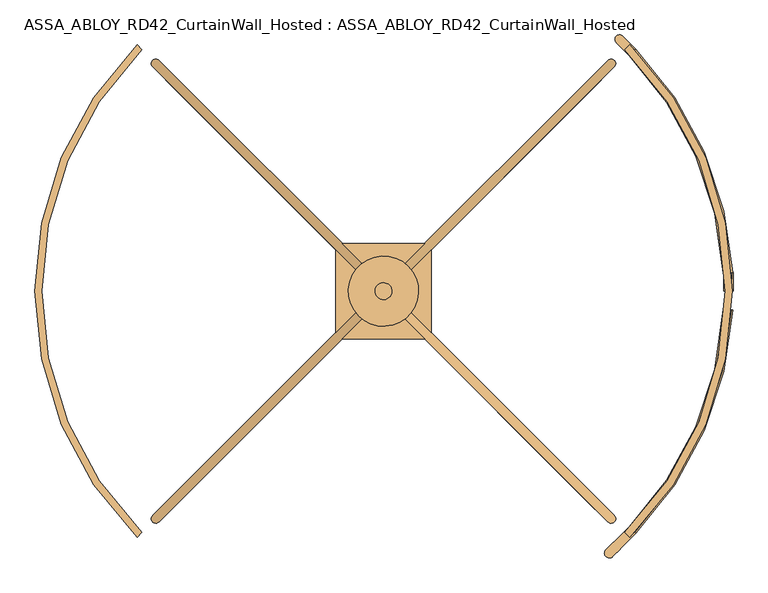
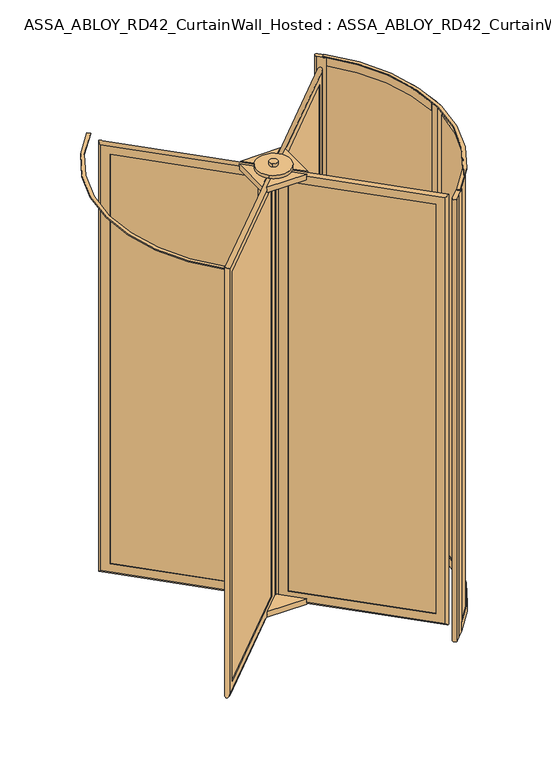
"""IFC4 building model written with IfcOpenShell, lengths in millimetres: door geometry, ASSA_ABLOY_RD42_CurtainWall_Hosted : ASSA_ABLOY_RD42_CurtainWall_Hosted."""

from ifc_helpers import new_model, si_unit, point, frame, frame_2d, origin, origin_with_axes, origin_2d, place, context, project, spatial, polyline, circle_curve, ellipse_curve, trimmed, segment, composite_curve, outline, extrude, source, transform, mapped, element, save
from ifc_brep_helpers import plane_surface, cylinder_surface, revolved_surface, advanced_brep


def assa_abloy_rd42_curtainwall_hosted_assa_abloy_rd42_9612af01(model_context):
    return source(origin(), model_context, "Body", "SolidModel", [
        advanced_brep(
        [(605.2834047, -619.4255403, 105.0), (603.1620844, -621.5468607, 105.0), (603.1620844, -621.5468607, 2673.0), (605.2834047, -619.4255403, 2673.0), (633.5676759, -619.4255403, 85.0), (619.4255403, -633.5676759, 85.0), (619.4255403, -633.5676759, 2693.0), (633.5676759, -619.4255403, 2693.0), (621.5468607, -603.1620844, 105.0), (619.4255403, -605.2834047, 105.0), (619.4255403, -605.2834047, 2673.0), (621.5468607, -603.1620844, 2673.0), (639.931637, -658.3164133, 53.0), (658.3164133, -639.931637, 53.0), (658.3164133, -639.931637, 2725.0), (639.931637, -658.3164133, 2725.0), (48.0832611, -66.4680374, 2673.0), (50.2045815, -64.3467171, 2673.0), (36.0624458, -50.2045815, 2693.0), (50.2045815, -36.0624458, 2693.0), (64.3467171, -50.2045815, 2673.0), (66.4680374, -48.0832611, 2673.0), (29.6984848, -11.3137085, 2725.0), (11.3137085, -29.6984848, 2725.0), (48.0832611, -66.4680374, 105.0), (50.2045815, -64.3467171, 105.0), (36.0624458, -50.2045815, 85.0), (50.2045815, -36.0624458, 85.0), (64.3467171, -50.2045815, 105.0), (66.4680374, -48.0832611, 105.0), (29.6984848, -11.3137085, 53.0), (11.3137085, -29.6984848, 53.0)],
        [
            (0, 1),
            (1, 2),
            (2, 3),
            (3, 0),
            (4, 5),
            (5, 6),
            (6, 7),
            (7, 4),
            (8, 9),
            (9, 10),
            (10, 11),
            (11, 8),
            (12, 13, ellipse_curve(frame((649.1240251, -649.1240251, 53.0), z_axis=(0.4999999999999917, -0.5000000000000084, 0.7071067811865475), x_axis=(0.5000000000000054, -0.4999999999999945, -0.7071067811865476)), 18.3847763, 13.0)),
            (13, 14),
            (14, 15, ellipse_curve(frame((649.1240251, -649.1240251, 2725.0), z_axis=(0.5000000000000054, -0.49999999999999456, -0.7071067811865475), x_axis=(-0.4999999999999915, 0.5000000000000083, -0.7071067811865476)), 18.3847763, 13.0)),
            (15, 12),
            (2, 16),
            (16, 17),
            (17, 3),
            (6, 18),
            (18, 19),
            (19, 7),
            (10, 20),
            (20, 21),
            (21, 11),
            (14, 22),
            (22, 23, ellipse_curve(frame((20.5060967, -20.5060967, 2725.0), z_axis=(0.4999999999999917, -0.5000000000000084, 0.7071067811865475), x_axis=(0.5000000000000054, -0.4999999999999945, -0.7071067811865476)), 18.3847763, 13.0)),
            (23, 15),
            (16, 24),
            (24, 25),
            (25, 17),
            (18, 26),
            (26, 27),
            (27, 19),
            (20, 28),
            (28, 29),
            (29, 21),
            (22, 30),
            (30, 31, ellipse_curve(frame((20.5060967, -20.5060967, 53.0), z_axis=(-0.5000000000000054, 0.49999999999999456, 0.7071067811865475), x_axis=(0.4999999999999915, -0.5000000000000083, 0.7071067811865476)), 18.3847763, 13.0)),
            (31, 23),
            (24, 1),
            (0, 25),
            (5, 26),
            (4, 27),
            (9, 28),
            (8, 29),
            (13, 30),
            (12, 31),
        ],
        [
            plane_surface(frame((603.1620844, -621.5468607, 105.0), z_axis=(-0.7071067811865437, 0.7071067811865513, 0.0), x_axis=(0.0, 0.0, 1.0))),
            plane_surface(frame((619.4255403, -633.5676759, 85.0), z_axis=(-0.7071067811865452, 0.7071067811865498, 0.0), x_axis=(0.0, 0.0, 1.0))),
            plane_surface(frame((619.4255403, -605.2834047, 105.0), z_axis=(-0.7071067811865437, 0.7071067811865513, 0.0), x_axis=(0.0, 0.0, 1.0))),
            cylinder_surface(frame((649.1240251, -649.1240251, 40.0), z_axis=(0.0, 0.0, -1.0), x_axis=(-0.7071067811865456, 0.7071067811865497, 0.0)), 13.0),
            plane_surface(frame((603.1620844, -621.5468607, 2673.0), z_axis=(0.0, 0.0, -1.0), x_axis=(-0.7071067811865455, 0.7071067811865496, 0.0))),
            plane_surface(frame((619.4255403, -633.5676759, 2693.0), z_axis=(0.0, 0.0, -1.0), x_axis=(-0.7071067811865455, 0.7071067811865496, 0.0))),
            plane_surface(frame((619.4255403, -605.2834047, 2673.0), z_axis=(0.0, 0.0, -1.0), x_axis=(-0.7071067811865455, 0.7071067811865496, 0.0))),
            cylinder_surface(frame((658.3164133, -658.3164133, 2725.0), z_axis=(0.7071067811865456, -0.7071067811865497, 0.0), x_axis=(0.0, 0.0, -1.0)), 13.0),
            plane_surface(frame((48.0832611, -66.4680374, 2673.0), z_axis=(0.7071067811865472, -0.7071067811865478, 0.0), x_axis=(0.0, 0.0, -1.0))),
            plane_surface(frame((36.0624458, -50.2045815, 2693.0), z_axis=(0.7071067811865457, -0.7071067811865493, 0.0), x_axis=(0.0, 0.0, -1.0))),
            plane_surface(frame((64.3467171, -50.2045815, 2673.0), z_axis=(0.7071067811865472, -0.7071067811865478, 0.0), x_axis=(0.0, 0.0, -1.0))),
            cylinder_surface(frame((20.5060967, -20.5060967, 2738.0), z_axis=(0.0, 0.0, 1.0), x_axis=(0.7071067811865456, -0.7071067811865497, 0.0)), 13.0),
            plane_surface(frame((48.0832611, -66.4680374, 105.0), z_axis=(0.0, 0.0, 1.0), x_axis=(0.7071067811865455, -0.7071067811865496, 0.0))),
            plane_surface(frame((50.2045815, -64.3467171, 105.0), z_axis=(0.7071067811865496, 0.7071067811865455, 0.0), x_axis=(0.7071067811865455, -0.7071067811865496, 0.0))),
            plane_surface(frame((36.0624458, -50.2045815, 85.0), z_axis=(0.0, 0.0, 1.0), x_axis=(0.7071067811865455, -0.7071067811865496, 0.0))),
            plane_surface(frame((50.2045815, -36.0624458, 85.0), z_axis=(-0.7071067811865496, -0.7071067811865455, 0.0), x_axis=(0.7071067811865455, -0.7071067811865496, 0.0))),
            plane_surface(frame((64.3467171, -50.2045815, 105.0), z_axis=(0.0, 0.0, 1.0), x_axis=(0.7071067811865455, -0.7071067811865496, 0.0))),
            plane_surface(frame((66.4680374, -48.0832611, 105.0), z_axis=(0.7071067811865496, 0.7071067811865455, 0.0), x_axis=(0.7071067811865455, -0.7071067811865496, 0.0))),
            cylinder_surface(frame((11.3137085, -11.3137085, 53.0), z_axis=(-0.7071067811865456, 0.7071067811865497, 0.0), x_axis=(0.0, 0.0, 1.0)), 13.0),
            plane_surface(frame((11.3137085, -29.6984848, 53.0), z_axis=(-0.7071067811865496, -0.7071067811865455, 0.0), x_axis=(0.7071067811865455, -0.7071067811865496, 0.0))),
        ],
        [
            (0, [[1, 2, 3, 4]]),
            (1, [[5, 6, 7, 8]]),
            (2, [[9, 10, 11, 12]]),
            (3, [[13, 14, 15, 16]]),
            (4, [[-3, 17, 18, 19]]),
            (5, [[-7, 20, 21, 22]]),
            (6, [[-11, 23, 24, 25]]),
            (7, [[-15, 26, 27, 28]]),
            (8, [[-18, 29, 30, 31]]),
            (9, [[-21, 32, 33, 34]]),
            (10, [[-24, 35, 36, 37]]),
            (11, [[-27, 38, 39, 40]]),
            (12, [[-30, 41, -1, 42]]),
            (13, [[43, -32, -20, -6], [-19, -31, -42, -4]]),
            (14, [[-33, -43, -5, 44]]),
            (15, [[-22, -34, -44, -8], [45, -35, -23, -10]]),
            (16, [[-36, -45, -9, 46]]),
            (17, [[47, -38, -26, -14], [-25, -37, -46, -12]]),
            (18, [[-39, -47, -13, 48]]),
            (19, [[-28, -40, -48, -16], [-41, -29, -17, -2]]),
        ],
    ),
        extrude(outline(polyline([(630.032142, -622.9610742), (622.9610742, -630.032142), (39.5979797, -46.6690476), (46.6690476, -39.5979797), (630.032142, -622.9610742)])), frame((0.0, 0.0, 85.0), z_axis=(0.0, 0.0, 1.0), x_axis=(1.0, 0.0, 0.0)), (0.0, 0.0, 1.0), 2608.0),
        advanced_brep(
        [(-619.4255403, -605.2834047, 105.0), (-621.5468607, -603.1620844, 105.0), (-621.5468607, -603.1620844, 2673.0), (-619.4255403, -605.2834047, 2673.0), (-619.4255403, -633.5676759, 85.0), (-633.5676759, -619.4255403, 85.0), (-633.5676759, -619.4255403, 2693.0), (-619.4255403, -633.5676759, 2693.0), (-603.1620844, -621.5468607, 105.0), (-605.2834047, -619.4255403, 105.0), (-605.2834047, -619.4255403, 2673.0), (-603.1620844, -621.5468607, 2673.0), (-658.3164133, -639.931637, 53.0), (-639.931637, -658.3164133, 53.0), (-639.931637, -658.3164133, 2725.0), (-658.3164133, -639.931637, 2725.0), (-66.4680374, -48.0832611, 2673.0), (-64.3467171, -50.2045815, 2673.0), (-50.2045815, -36.0624458, 2693.0), (-36.0624458, -50.2045815, 2693.0), (-50.2045815, -64.3467171, 2673.0), (-48.0832611, -66.4680374, 2673.0), (-11.3137085, -29.6984848, 2725.0), (-29.6984848, -11.3137085, 2725.0), (-66.4680374, -48.0832611, 105.0), (-64.3467171, -50.2045815, 105.0), (-50.2045815, -36.0624458, 85.0), (-36.0624458, -50.2045815, 85.0), (-50.2045815, -64.3467171, 105.0), (-48.0832611, -66.4680374, 105.0), (-11.3137085, -29.6984848, 53.0), (-29.6984848, -11.3137085, 53.0)],
        [
            (0, 1),
            (1, 2),
            (2, 3),
            (3, 0),
            (4, 5),
            (5, 6),
            (6, 7),
            (7, 4),
            (8, 9),
            (9, 10),
            (10, 11),
            (11, 8),
            (12, 13, ellipse_curve(frame((-649.1240251, -649.1240251, 53.0), z_axis=(-0.5000000000000089, -0.49999999999999106, 0.7071067811865475), x_axis=(-0.49999999999999495, -0.5000000000000048, -0.7071067811865476)), 18.3847763, 13.0)),
            (13, 14),
            (14, 15, ellipse_curve(frame((-649.1240251, -649.1240251, 2725.0), z_axis=(-0.49999999999999506, -0.5000000000000049, -0.7071067811865475), x_axis=(0.5000000000000088, 0.49999999999999095, -0.7071067811865476)), 18.3847763, 13.0)),
            (15, 12),
            (2, 16),
            (16, 17),
            (17, 3),
            (6, 18),
            (18, 19),
            (19, 7),
            (10, 20),
            (20, 21),
            (21, 11),
            (14, 22),
            (22, 23, ellipse_curve(frame((-20.5060967, -20.5060967, 2725.0), z_axis=(-0.5000000000000089, -0.49999999999999106, 0.7071067811865475), x_axis=(-0.4999999999999951, -0.5000000000000049, -0.7071067811865474)), 18.3847763, 13.0)),
            (23, 15),
            (16, 24),
            (24, 25),
            (25, 17),
            (18, 26),
            (26, 27),
            (27, 19),
            (20, 28),
            (28, 29),
            (29, 21),
            (22, 30),
            (30, 31, ellipse_curve(frame((-20.5060967, -20.5060967, 53.0), z_axis=(0.49999999999999506, 0.5000000000000049, 0.7071067811865475), x_axis=(-0.5000000000000088, -0.49999999999999095, 0.7071067811865476)), 18.3847763, 13.0)),
            (31, 23),
            (24, 1),
            (0, 25),
            (5, 26),
            (4, 27),
            (9, 28),
            (8, 29),
            (13, 30),
            (12, 31),
        ],
        [
            plane_surface(frame((-621.5468607, -603.1620844, 105.0), z_axis=(0.7071067811865521, 0.7071067811865429, 0.0), x_axis=(0.0, 0.0, 1.0))),
            plane_surface(frame((-633.5676759, -619.4255403, 85.0), z_axis=(0.7071067811865506, 0.7071067811865445, 0.0), x_axis=(0.0, 0.0, 1.0))),
            plane_surface(frame((-605.2834047, -619.4255403, 105.0), z_axis=(0.7071067811865521, 0.7071067811865429, 0.0), x_axis=(0.0, 0.0, 1.0))),
            cylinder_surface(frame((-649.1240251, -649.1240251, 40.0), z_axis=(0.0, 0.0, -1.0), x_axis=(0.7071067811865503, 0.7071067811865447, 0.0)), 13.0),
            plane_surface(frame((-621.5468607, -603.1620844, 2673.0), z_axis=(0.0, 0.0, -1.0), x_axis=(0.7071067811865503, 0.7071067811865447, 0.0))),
            plane_surface(frame((-633.5676759, -619.4255403, 2693.0), z_axis=(0.0, 0.0, -1.0), x_axis=(0.7071067811865503, 0.7071067811865447, 0.0))),
            plane_surface(frame((-605.2834047, -619.4255403, 2673.0), z_axis=(0.0, 0.0, -1.0), x_axis=(0.7071067811865503, 0.7071067811865447, 0.0))),
            cylinder_surface(frame((-658.3164133, -658.3164133, 2725.0), z_axis=(-0.7071067811865503, -0.7071067811865447, 0.0), x_axis=(0.0, 0.0, -1.0)), 13.0),
            plane_surface(frame((-66.4680374, -48.0832611, 2673.0), z_axis=(-0.7071067811865486, -0.7071067811865465, 0.0), x_axis=(0.0, 0.0, -1.0))),
            plane_surface(frame((-50.2045815, -36.0624458, 2693.0), z_axis=(-0.7071067811865501, -0.7071067811865449, 0.0), x_axis=(0.0, 0.0, -1.0))),
            plane_surface(frame((-50.2045815, -64.3467171, 2673.0), z_axis=(-0.7071067811865486, -0.7071067811865465, 0.0), x_axis=(0.0, 0.0, -1.0))),
            cylinder_surface(frame((-20.5060967, -20.5060967, 2738.0), z_axis=(0.0, 0.0, 1.0), x_axis=(-0.7071067811865503, -0.7071067811865447, 0.0)), 13.0),
            plane_surface(frame((-66.4680374, -48.0832611, 105.0), z_axis=(0.0, 0.0, 1.0), x_axis=(-0.7071067811865503, -0.7071067811865447, 0.0))),
            plane_surface(frame((-64.3467171, -50.2045815, 105.0), z_axis=(0.7071067811865447, -0.7071067811865503, 0.0), x_axis=(-0.7071067811865503, -0.7071067811865447, 0.0))),
            plane_surface(frame((-50.2045815, -36.0624458, 85.0), z_axis=(0.0, 0.0, 1.0), x_axis=(-0.7071067811865503, -0.7071067811865447, 0.0))),
            plane_surface(frame((-36.0624458, -50.2045815, 85.0), z_axis=(-0.7071067811865447, 0.7071067811865503, 0.0), x_axis=(-0.7071067811865503, -0.7071067811865447, 0.0))),
            plane_surface(frame((-50.2045815, -64.3467171, 105.0), z_axis=(0.0, 0.0, 1.0), x_axis=(-0.7071067811865503, -0.7071067811865447, 0.0))),
            plane_surface(frame((-48.0832611, -66.4680374, 105.0), z_axis=(0.7071067811865447, -0.7071067811865503, 0.0), x_axis=(-0.7071067811865503, -0.7071067811865447, 0.0))),
            cylinder_surface(frame((-11.3137085, -11.3137085, 53.0), z_axis=(0.7071067811865503, 0.7071067811865447, 0.0), x_axis=(0.0, 0.0, 1.0)), 13.0),
            plane_surface(frame((-29.6984848, -11.3137085, 53.0), z_axis=(-0.7071067811865447, 0.7071067811865503, 0.0), x_axis=(-0.7071067811865503, -0.7071067811865447, 0.0))),
        ],
        [
            (0, [[1, 2, 3, 4]]),
            (1, [[5, 6, 7, 8]]),
            (2, [[9, 10, 11, 12]]),
            (3, [[13, 14, 15, 16]]),
            (4, [[-3, 17, 18, 19]]),
            (5, [[-7, 20, 21, 22]]),
            (6, [[-11, 23, 24, 25]]),
            (7, [[-15, 26, 27, 28]]),
            (8, [[-18, 29, 30, 31]]),
            (9, [[-21, 32, 33, 34]]),
            (10, [[-24, 35, 36, 37]]),
            (11, [[-27, 38, 39, 40]]),
            (12, [[-30, 41, -1, 42]]),
            (13, [[43, -32, -20, -6], [-19, -31, -42, -4]]),
            (14, [[-33, -43, -5, 44]]),
            (15, [[-22, -34, -44, -8], [45, -35, -23, -10]]),
            (16, [[-36, -45, -9, 46]]),
            (17, [[47, -38, -26, -14], [-25, -37, -46, -12]]),
            (18, [[-39, -47, -13, 48]]),
            (19, [[-28, -40, -48, -16], [-41, -29, -17, -2]]),
        ],
    ),
        extrude(outline(polyline([(-622.9610742, -630.032142), (-630.032142, -622.9610742), (-46.6690476, -39.5979797), (-39.5979797, -46.6690476), (-622.9610742, -630.032142)])), frame((0.0, 0.0, 85.0), z_axis=(0.0, 0.0, 1.0), x_axis=(1.0, 0.0, 0.0)), (0.0, 0.0, 1.0), 2608.0),
        advanced_brep(
        [(-605.2834047, 619.4255403, 105.0), (-603.1620844, 621.5468607, 105.0), (-603.1620844, 621.5468607, 2673.0), (-605.2834047, 619.4255403, 2673.0), (-633.5676759, 619.4255403, 85.0), (-619.4255403, 633.5676759, 85.0), (-619.4255403, 633.5676759, 2693.0), (-633.5676759, 619.4255403, 2693.0), (-621.5468607, 603.1620844, 105.0), (-619.4255403, 605.2834047, 105.0), (-619.4255403, 605.2834047, 2673.0), (-621.5468607, 603.1620844, 2673.0), (-639.931637, 658.3164133, 53.0), (-658.3164133, 639.931637, 53.0), (-658.3164133, 639.931637, 2725.0), (-639.931637, 658.3164133, 2725.0), (-48.0832611, 66.4680374, 2673.0), (-50.2045815, 64.3467171, 2673.0), (-36.0624458, 50.2045815, 2693.0), (-50.2045815, 36.0624458, 2693.0), (-64.3467171, 50.2045815, 2673.0), (-66.4680374, 48.0832611, 2673.0), (-29.6984848, 11.3137085, 2725.0), (-11.3137085, 29.6984848, 2725.0), (-48.0832611, 66.4680374, 105.0), (-50.2045815, 64.3467171, 105.0), (-36.0624458, 50.2045815, 85.0), (-50.2045815, 36.0624458, 85.0), (-64.3467171, 50.2045815, 105.0), (-66.4680374, 48.0832611, 105.0), (-29.6984848, 11.3137085, 53.0), (-11.3137085, 29.6984848, 53.0)],
        [
            (0, 1),
            (1, 2),
            (2, 3),
            (3, 0),
            (4, 5),
            (5, 6),
            (6, 7),
            (7, 4),
            (8, 9),
            (9, 10),
            (10, 11),
            (11, 8),
            (12, 13, ellipse_curve(frame((-649.1240251, 649.1240251, 53.0), z_axis=(-0.4999999999999913, 0.5000000000000087, 0.7071067811865475), x_axis=(-0.500000000000005, 0.4999999999999947, -0.7071067811865476)), 18.3847763, 13.0)),
            (13, 14),
            (14, 15, ellipse_curve(frame((-649.1240251, 649.1240251, 2725.0), z_axis=(-0.5000000000000051, 0.4999999999999948, -0.7071067811865475), x_axis=(0.4999999999999912, -0.5000000000000085, -0.7071067811865476)), 18.3847763, 13.0)),
            (15, 12),
            (2, 16),
            (16, 17),
            (17, 3),
            (6, 18),
            (18, 19),
            (19, 7),
            (10, 20),
            (20, 21),
            (21, 11),
            (14, 22),
            (22, 23, ellipse_curve(frame((-20.5060967, 20.5060967, 2725.0), z_axis=(-0.4999999999999913, 0.5000000000000087, 0.7071067811865475), x_axis=(-0.5000000000000052, 0.49999999999999495, -0.7071067811865475)), 18.3847763, 13.0)),
            (23, 15),
            (16, 24),
            (24, 25),
            (25, 17),
            (18, 26),
            (26, 27),
            (27, 19),
            (20, 28),
            (28, 29),
            (29, 21),
            (22, 30),
            (30, 31, ellipse_curve(frame((-20.5060967, 20.5060967, 53.0), z_axis=(0.5000000000000051, -0.4999999999999948, 0.7071067811865475), x_axis=(-0.4999999999999912, 0.5000000000000085, 0.7071067811865476)), 18.3847763, 13.0)),
            (31, 23),
            (24, 1),
            (0, 25),
            (5, 26),
            (4, 27),
            (9, 28),
            (8, 29),
            (13, 30),
            (12, 31),
        ],
        [
            plane_surface(frame((-603.1620844, 621.5468607, 105.0), z_axis=(0.7071067811865432, -0.7071067811865518, 0.0), x_axis=(0.0, 0.0, 1.0))),
            plane_surface(frame((-619.4255403, 633.5676759, 85.0), z_axis=(0.7071067811865448, -0.7071067811865502, 0.0), x_axis=(0.0, 0.0, 1.0))),
            plane_surface(frame((-619.4255403, 605.2834047, 105.0), z_axis=(0.7071067811865432, -0.7071067811865518, 0.0), x_axis=(0.0, 0.0, 1.0))),
            cylinder_surface(frame((-649.1240251, 649.1240251, 40.0), z_axis=(0.0, 0.0, -1.0), x_axis=(0.707106781186545, -0.70710678118655, 0.0)), 13.0),
            plane_surface(frame((-603.1620844, 621.5468607, 2673.0), z_axis=(0.0, 0.0, -1.0), x_axis=(0.707106781186545, -0.70710678118655, 0.0))),
            plane_surface(frame((-619.4255403, 633.5676759, 2693.0), z_axis=(0.0, 0.0, -1.0), x_axis=(0.707106781186545, -0.70710678118655, 0.0))),
            plane_surface(frame((-619.4255403, 605.2834047, 2673.0), z_axis=(0.0, 0.0, -1.0), x_axis=(0.707106781186545, -0.70710678118655, 0.0))),
            cylinder_surface(frame((-658.3164133, 658.3164133, 2725.0), z_axis=(-0.707106781186545, 0.70710678118655, 0.0), x_axis=(0.0, 0.0, -1.0)), 13.0),
            plane_surface(frame((-48.0832611, 66.4680374, 2673.0), z_axis=(-0.7071067811865468, 0.7071067811865482, 0.0), x_axis=(0.0, 0.0, -1.0))),
            plane_surface(frame((-36.0624458, 50.2045815, 2693.0), z_axis=(-0.7071067811865452, 0.7071067811865498, 0.0), x_axis=(0.0, 0.0, -1.0))),
            plane_surface(frame((-64.3467171, 50.2045815, 2673.0), z_axis=(-0.7071067811865468, 0.7071067811865482, 0.0), x_axis=(0.0, 0.0, -1.0))),
            cylinder_surface(frame((-20.5060967, 20.5060967, 2738.0), z_axis=(0.0, 0.0, 1.0), x_axis=(-0.707106781186545, 0.70710678118655, 0.0)), 13.0),
            plane_surface(frame((-48.0832611, 66.4680374, 105.0), z_axis=(0.0, 0.0, 1.0), x_axis=(-0.707106781186545, 0.70710678118655, 0.0))),
            plane_surface(frame((-50.2045815, 64.3467171, 105.0), z_axis=(-0.70710678118655, -0.707106781186545, 0.0), x_axis=(-0.707106781186545, 0.70710678118655, 0.0))),
            plane_surface(frame((-36.0624458, 50.2045815, 85.0), z_axis=(0.0, 0.0, 1.0), x_axis=(-0.707106781186545, 0.70710678118655, 0.0))),
            plane_surface(frame((-50.2045815, 36.0624458, 85.0), z_axis=(0.70710678118655, 0.707106781186545, 0.0), x_axis=(-0.707106781186545, 0.70710678118655, 0.0))),
            plane_surface(frame((-64.3467171, 50.2045815, 105.0), z_axis=(0.0, 0.0, 1.0), x_axis=(-0.707106781186545, 0.70710678118655, 0.0))),
            plane_surface(frame((-66.4680374, 48.0832611, 105.0), z_axis=(-0.70710678118655, -0.707106781186545, 0.0), x_axis=(-0.707106781186545, 0.70710678118655, 0.0))),
            cylinder_surface(frame((-11.3137085, 11.3137085, 53.0), z_axis=(0.707106781186545, -0.70710678118655, 0.0), x_axis=(0.0, 0.0, 1.0)), 13.0),
            plane_surface(frame((-11.3137085, 29.6984848, 53.0), z_axis=(0.70710678118655, 0.707106781186545, 0.0), x_axis=(-0.707106781186545, 0.70710678118655, 0.0))),
        ],
        [
            (0, [[1, 2, 3, 4]]),
            (1, [[5, 6, 7, 8]]),
            (2, [[9, 10, 11, 12]]),
            (3, [[13, 14, 15, 16]]),
            (4, [[-3, 17, 18, 19]]),
            (5, [[-7, 20, 21, 22]]),
            (6, [[-11, 23, 24, 25]]),
            (7, [[-15, 26, 27, 28]]),
            (8, [[-18, 29, 30, 31]]),
            (9, [[-21, 32, 33, 34]]),
            (10, [[-24, 35, 36, 37]]),
            (11, [[-27, 38, 39, 40]]),
            (12, [[-30, 41, -1, 42]]),
            (13, [[43, -32, -20, -6], [-19, -31, -42, -4]]),
            (14, [[-33, -43, -5, 44]]),
            (15, [[-22, -34, -44, -8], [45, -35, -23, -10]]),
            (16, [[-36, -45, -9, 46]]),
            (17, [[47, -38, -26, -14], [-25, -37, -46, -12]]),
            (18, [[-39, -47, -13, 48]]),
            (19, [[-28, -40, -48, -16], [-41, -29, -17, -2]]),
        ],
    ),
        extrude(outline(polyline([(-630.032142, 622.9610742), (-622.9610742, 630.032142), (-39.5979797, 46.6690476), (-46.6690476, 39.5979797), (-630.032142, 622.9610742)])), frame((0.0, 0.0, 85.0), z_axis=(0.0, 0.0, 1.0), x_axis=(1.0, 0.0, 0.0)), (0.0, 0.0, 1.0), 2608.0),
        advanced_brep(
        [(619.4255403, 605.2834047, 105.0), (621.5468607, 603.1620844, 105.0), (621.5468607, 603.1620844, 2673.0), (619.4255403, 605.2834047, 2673.0), (619.4255403, 633.5676759, 85.0), (633.5676759, 619.4255403, 85.0), (633.5676759, 619.4255403, 2693.0), (619.4255403, 633.5676759, 2693.0), (603.1620844, 621.5468607, 105.0), (605.2834047, 619.4255403, 105.0), (605.2834047, 619.4255403, 2673.0), (603.1620844, 621.5468607, 2673.0), (658.3164133, 639.931637, 53.0), (639.931637, 658.3164133, 53.0), (639.931637, 658.3164133, 2725.0), (658.3164133, 639.931637, 2725.0), (66.4680374, 48.0832611, 2673.0), (64.3467171, 50.2045815, 2673.0), (50.2045815, 36.0624458, 2693.0), (36.0624458, 50.2045815, 2693.0), (50.2045815, 64.3467171, 2673.0), (48.0832611, 66.4680374, 2673.0), (11.3137085, 29.6984848, 2725.0), (29.6984848, 11.3137085, 2725.0), (66.4680374, 48.0832611, 105.0), (64.3467171, 50.2045815, 105.0), (50.2045815, 36.0624458, 85.0), (36.0624458, 50.2045815, 85.0), (50.2045815, 64.3467171, 105.0), (48.0832611, 66.4680374, 105.0), (11.3137085, 29.6984848, 53.0), (29.6984848, 11.3137085, 53.0)],
        [
            (0, 1),
            (1, 2),
            (2, 3),
            (3, 0),
            (4, 5),
            (5, 6),
            (6, 7),
            (7, 4),
            (8, 9),
            (9, 10),
            (10, 11),
            (11, 8),
            (12, 13, ellipse_curve(frame((649.1240251, 649.1240251, 53.0), z_axis=(0.5000000000000073, 0.4999999999999926, 0.7071067811865475), x_axis=(0.4999999999999934, 0.5000000000000063, -0.7071067811865476)), 18.3847763, 13.0)),
            (13, 14),
            (14, 15, ellipse_curve(frame((649.1240251, 649.1240251, 2725.0), z_axis=(0.49999999999999345, 0.5000000000000064, -0.7071067811865475), x_axis=(-0.5000000000000072, -0.4999999999999925, -0.7071067811865476)), 18.3847763, 13.0)),
            (15, 12),
            (2, 16),
            (16, 17),
            (17, 3),
            (6, 18),
            (18, 19),
            (19, 7),
            (10, 20),
            (20, 21),
            (21, 11),
            (14, 22),
            (22, 23, ellipse_curve(frame((20.5060967, 20.5060967, 2725.0), z_axis=(0.5000000000000073, 0.4999999999999926, 0.7071067811865475), x_axis=(0.4999999999999936, 0.5000000000000066, -0.7071067811865475)), 18.3847763, 13.0)),
            (23, 15),
            (16, 24),
            (24, 25),
            (25, 17),
            (18, 26),
            (26, 27),
            (27, 19),
            (20, 28),
            (28, 29),
            (29, 21),
            (22, 30),
            (30, 31, ellipse_curve(frame((20.5060967, 20.5060967, 53.0), z_axis=(-0.49999999999999345, -0.5000000000000064, 0.7071067811865475), x_axis=(0.5000000000000072, 0.4999999999999925, 0.7071067811865476)), 18.3847763, 13.0)),
            (31, 23),
            (24, 1),
            (0, 25),
            (5, 26),
            (4, 27),
            (9, 28),
            (8, 29),
            (13, 30),
            (12, 31),
        ],
        [
            plane_surface(frame((621.5468607, 603.1620844, 105.0), z_axis=(-0.7071067811865499, -0.7071067811865451, 0.0), x_axis=(0.0, 0.0, 1.0))),
            plane_surface(frame((633.5676759, 619.4255403, 85.0), z_axis=(-0.7071067811865483, -0.7071067811865467, 0.0), x_axis=(0.0, 0.0, 1.0))),
            plane_surface(frame((605.2834047, 619.4255403, 105.0), z_axis=(-0.7071067811865499, -0.7071067811865451, 0.0), x_axis=(0.0, 0.0, 1.0))),
            cylinder_surface(frame((649.1240251, 649.1240251, 40.0), z_axis=(0.0, 0.0, -1.0), x_axis=(-0.7071067811865481, -0.7071067811865469, 0.0)), 13.0),
            plane_surface(frame((621.5468607, 603.1620844, 2673.0), z_axis=(0.0, 0.0, -1.0), x_axis=(-0.7071067811865481, -0.7071067811865469, 0.0))),
            plane_surface(frame((633.5676759, 619.4255403, 2693.0), z_axis=(0.0, 0.0, -1.0), x_axis=(-0.7071067811865481, -0.7071067811865469, 0.0))),
            plane_surface(frame((605.2834047, 619.4255403, 2673.0), z_axis=(0.0, 0.0, -1.0), x_axis=(-0.7071067811865481, -0.7071067811865469, 0.0))),
            cylinder_surface(frame((658.3164133, 658.3164133, 2725.0), z_axis=(0.7071067811865481, 0.7071067811865469, 0.0), x_axis=(0.0, 0.0, -1.0)), 13.0),
            plane_surface(frame((66.4680374, 48.0832611, 2673.0), z_axis=(0.7071067811865464, 0.7071067811865487, 0.0), x_axis=(0.0, 0.0, -1.0))),
            plane_surface(frame((50.2045815, 36.0624458, 2693.0), z_axis=(0.7071067811865479, 0.7071067811865471, 0.0), x_axis=(0.0, 0.0, -1.0))),
            plane_surface(frame((50.2045815, 64.3467171, 2673.0), z_axis=(0.7071067811865464, 0.7071067811865487, 0.0), x_axis=(0.0, 0.0, -1.0))),
            cylinder_surface(frame((20.5060967, 20.5060967, 2738.0), z_axis=(0.0, 0.0, 1.0), x_axis=(0.7071067811865481, 0.7071067811865469, 0.0)), 13.0),
            plane_surface(frame((66.4680374, 48.0832611, 105.0), z_axis=(0.0, 0.0, 1.0), x_axis=(0.7071067811865481, 0.7071067811865469, 0.0))),
            plane_surface(frame((64.3467171, 50.2045815, 105.0), z_axis=(-0.7071067811865469, 0.7071067811865481, 0.0), x_axis=(0.7071067811865481, 0.7071067811865469, 0.0))),
            plane_surface(frame((50.2045815, 36.0624458, 85.0), z_axis=(0.0, 0.0, 1.0), x_axis=(0.7071067811865481, 0.7071067811865469, 0.0))),
            plane_surface(frame((36.0624458, 50.2045815, 85.0), z_axis=(0.7071067811865469, -0.7071067811865481, 0.0), x_axis=(0.7071067811865481, 0.7071067811865469, 0.0))),
            plane_surface(frame((50.2045815, 64.3467171, 105.0), z_axis=(0.0, 0.0, 1.0), x_axis=(0.7071067811865481, 0.7071067811865469, 0.0))),
            plane_surface(frame((48.0832611, 66.4680374, 105.0), z_axis=(-0.7071067811865469, 0.7071067811865481, 0.0), x_axis=(0.7071067811865481, 0.7071067811865469, 0.0))),
            cylinder_surface(frame((11.3137085, 11.3137085, 53.0), z_axis=(-0.7071067811865481, -0.7071067811865469, 0.0), x_axis=(0.0, 0.0, 1.0)), 13.0),
            plane_surface(frame((29.6984848, 11.3137085, 53.0), z_axis=(0.7071067811865469, -0.7071067811865481, 0.0), x_axis=(0.7071067811865481, 0.7071067811865469, 0.0))),
        ],
        [
            (0, [[1, 2, 3, 4]]),
            (1, [[5, 6, 7, 8]]),
            (2, [[9, 10, 11, 12]]),
            (3, [[13, 14, 15, 16]]),
            (4, [[-3, 17, 18, 19]]),
            (5, [[-7, 20, 21, 22]]),
            (6, [[-11, 23, 24, 25]]),
            (7, [[-15, 26, 27, 28]]),
            (8, [[-18, 29, 30, 31]]),
            (9, [[-21, 32, 33, 34]]),
            (10, [[-24, 35, 36, 37]]),
            (11, [[-27, 38, 39, 40]]),
            (12, [[-30, 41, -1, 42]]),
            (13, [[43, -32, -20, -6], [-19, -31, -42, -4]]),
            (14, [[-33, -43, -5, 44]]),
            (15, [[-22, -34, -44, -8], [45, -35, -23, -10]]),
            (16, [[-36, -45, -9, 46]]),
            (17, [[47, -38, -26, -14], [-25, -37, -46, -12]]),
            (18, [[-39, -47, -13, 48]]),
            (19, [[-28, -40, -48, -16], [-41, -29, -17, -2]]),
        ],
    ),
        extrude(outline(polyline([(622.9610742, 630.032142), (630.032142, 622.9610742), (46.6690476, 39.5979797), (39.5979797, 46.6690476), (622.9610742, 630.032142)])), frame((0.0, 0.0, 85.0), z_axis=(0.0, 0.0, 1.0), x_axis=(1.0, 0.0, 0.0)), (0.0, 0.0, 1.0), 2608.0),
        extrude(outline(composite_curve([segment(trimmed(circle_curve(origin_2d(), 24.0), [point((-16.9705627, -16.9705627))], [point((16.9705627, 16.9705627))], False, "CARTESIAN"), True, "CONTINUOUS"), segment(trimmed(circle_curve(origin_2d(), 24.0), [point((16.9705627, 16.9705627))], [point((-16.9705627, -16.9705627))], False, "CARTESIAN"), True, "CONTINUOUS")], self_intersect=False)), origin_with_axes(), (0.0, 0.0, 1.0), 20.0),
        extrude(outline(composite_curve([segment(trimmed(circle_curve(origin_2d(), 100.0), [point((-70.7106781, -70.7106781))], [point((70.7106781, 70.7106781))], False, "CARTESIAN"), True, "CONTINUOUS"), segment(trimmed(circle_curve(origin_2d(), 100.0), [point((70.7106781, 70.7106781))], [point((-70.7106781, -70.7106781))], False, "CARTESIAN"), True, "CONTINUOUS")], self_intersect=False)), frame((0.0, 0.0, 20.0), z_axis=(0.0, 0.0, 1.0), x_axis=(1.0, 0.0, 0.0)), (0.0, 0.0, 1.0), 20.0),
        extrude(outline(composite_curve([segment(trimmed(circle_curve(origin_2d(), 24.0), [point((16.9705627, 16.9705627))], [point((-16.9705627, -16.9705627))], False, "CARTESIAN"), True, "CONTINUOUS"), segment(trimmed(circle_curve(origin_2d(), 24.0), [point((-16.9705627, -16.9705627))], [point((16.9705627, 16.9705627))], False, "CARTESIAN"), True, "CONTINUOUS")], self_intersect=False)), frame((0.0, 0.0, 2758.0), z_axis=(0.0, 0.0, 1.0), x_axis=(1.0, 0.0, 0.0)), (0.0, 0.0, 1.0), 20.0),
        extrude(outline(composite_curve([segment(trimmed(circle_curve(origin_2d(), 100.0), [point((70.7106781, 70.7106781))], [point((-70.7106781, -70.7106781))], False, "CARTESIAN"), True, "CONTINUOUS"), segment(trimmed(circle_curve(origin_2d(), 100.0), [point((-70.7106781, -70.7106781))], [point((70.7106781, 70.7106781))], False, "CARTESIAN"), True, "CONTINUOUS")], self_intersect=False)), frame((0.0, 0.0, 2738.0), z_axis=(0.0, 0.0, 1.0), x_axis=(1.0, 0.0, 0.0)), (0.0, 0.0, 1.0), 20.0),
        extrude(outline(composite_curve([segment(trimmed(circle_curve(origin_2d(), 12.5), [point((-8.8388348, -8.8388348))], [point((8.8388348, 8.8388348))], False, "CARTESIAN"), True, "CONTINUOUS"), segment(trimmed(circle_curve(origin_2d(), 12.5), [point((8.8388348, 8.8388348))], [point((-8.8388348, -8.8388348))], False, "CARTESIAN"), True, "CONTINUOUS")], self_intersect=False)), origin_with_axes(), (0.0, 0.0, 1.0), 2723.0),
        extrude(outline(polyline([(-136.0, 117.6152237), (-18.3847763, 0.0), (-136.0, -117.6152237), (-136.0, 117.6152237)])), frame((0.0, 0.0, 2703.0), z_axis=(0.0, 0.0, 1.0), x_axis=(1.0, 0.0, 0.0)), (0.0, 0.0, 1.0), 35.0),
        extrude(outline(polyline([(-117.6152237, -136.0), (0.0, -18.3847763), (117.6152237, -136.0), (-117.6152237, -136.0)])), frame((0.0, 0.0, 2703.0), z_axis=(0.0, 0.0, 1.0), x_axis=(1.0, 0.0, 0.0)), (0.0, 0.0, 1.0), 35.0),
        extrude(outline(polyline([(136.0, -117.6152237), (18.3847763, 0.0), (136.0, 117.6152237), (136.0, -117.6152237)])), frame((0.0, 0.0, 2703.0), z_axis=(0.0, 0.0, 1.0), x_axis=(1.0, 0.0, 0.0)), (0.0, 0.0, 1.0), 35.0),
        extrude(outline(polyline([(117.6152237, 136.0), (0.0, 18.3847763), (-117.6152237, 136.0), (117.6152237, 136.0)])), frame((0.0, 0.0, 2703.0), z_axis=(0.0, 0.0, 1.0), x_axis=(1.0, 0.0, 0.0)), (0.0, 0.0, 1.0), 35.0),
        extrude(outline(polyline([(-136.0, 117.6152237), (-18.3847763, 0.0), (-136.0, -117.6152237), (-136.0, 117.6152237)])), frame((0.0, 0.0, 40.0), z_axis=(0.0, 0.0, 1.0), x_axis=(1.0, 0.0, 0.0)), (0.0, 0.0, 1.0), 35.0),
        extrude(outline(polyline([(-117.6152237, -136.0), (0.0, -18.3847763), (117.6152237, -136.0), (-117.6152237, -136.0)])), frame((0.0, 0.0, 40.0), z_axis=(0.0, 0.0, 1.0), x_axis=(1.0, 0.0, 0.0)), (0.0, 0.0, 1.0), 35.0),
        extrude(outline(polyline([(136.0, -117.6152237), (18.3847763, 0.0), (136.0, 117.6152237), (136.0, -117.6152237)])), frame((0.0, 0.0, 40.0), z_axis=(0.0, 0.0, 1.0), x_axis=(1.0, 0.0, 0.0)), (0.0, 0.0, 1.0), 35.0),
        extrude(outline(polyline([(117.6152237, 136.0), (0.0, 18.3847763), (-117.6152237, 136.0), (117.6152237, 136.0)])), frame((0.0, 0.0, 40.0), z_axis=(0.0, 0.0, 1.0), x_axis=(1.0, 0.0, 0.0)), (0.0, 0.0, 1.0), 35.0),
        extrude(outline(composite_curve([segment(trimmed(circle_curve(origin_2d(), 974.0), [point((-688.7220049, 688.7220049))], [point((-688.7220049, -688.7220049))], True, "CARTESIAN"), True, "CONTINUOUS"), segment(polyline([(-688.7220049, -688.7220049), (-702.8641405, -702.8641405)]), True, "CONTINUOUS"), segment(trimmed(circle_curve(origin_2d(), 994.0), [point((-702.8641405, -702.8641405))], [point((-702.8641405, 702.8641405))], False, "CARTESIAN"), True, "CONTINUOUS"), segment(polyline([(-702.8641405, 702.8641405), (-688.7220049, 688.7220049)]), True, "CONTINUOUS")], self_intersect=False)), frame((0.0, 0.0, 2773.0), z_axis=(0.0, 0.0, 1.0), x_axis=(1.0, 0.0, 0.0)), (0.0, 0.0, 1.0), 5.0),
        extrude(outline(composite_curve([segment(trimmed(circle_curve(origin_2d(), 994.0), [point((702.8641405, 702.8641405))], [point((702.8641405, -702.8641405))], False, "CARTESIAN"), True, "CONTINUOUS"), segment(polyline([(702.8641405, -702.8641405), (688.7220049, -688.7220049)]), True, "CONTINUOUS"), segment(trimmed(circle_curve(origin_2d(), 974.0), [point((688.7220049, -688.7220049))], [point((688.7220049, 688.7220049))], True, "CARTESIAN"), True, "CONTINUOUS"), segment(polyline([(688.7220049, 688.7220049), (702.8641405, 702.8641405)]), True, "CONTINUOUS")], self_intersect=False)), frame((0.0, 0.0, 2773.0), z_axis=(0.0, 0.0, 1.0), x_axis=(1.0, 0.0, 0.0)), (0.0, 0.0, 1.0), 5.0),
        extrude(outline(composite_curve([segment(trimmed(circle_curve(origin_2d(), 989.0), [point((699.3286066, 699.3286066))], [point((988.4436781, 33.1676829))], False, "CARTESIAN"), True, "CONTINUOUS"), segment(polyline([(988.4436781, 33.1676829), (978.4493032, 32.8323171)]), True, "CONTINUOUS"), segment(trimmed(circle_curve(origin_2d(), 979.0), [point((978.4493032, 32.8323171))], [point((692.2575388, 692.2575388))], True, "CARTESIAN"), True, "CONTINUOUS"), segment(polyline([(692.2575388, 692.2575388), (699.3286066, 699.3286066)]), True, "CONTINUOUS")], self_intersect=False)), frame((0.0, 0.0, 33.0), z_axis=(0.0, 0.0, 1.0), x_axis=(1.0, 0.0, 0.0)), (0.0, 0.0, 1.0), 2715.0),
        extrude(outline(composite_curve([segment(trimmed(circle_curve(origin_2d(), 989.0), [point((988.4436781, -33.1676829))], [point((699.3286066, -699.3286066))], False, "CARTESIAN"), True, "CONTINUOUS"), segment(polyline([(699.3286066, -699.3286066), (692.2575388, -692.2575388)]), True, "CONTINUOUS"), segment(trimmed(circle_curve(origin_2d(), 979.0), [point((692.2575388, -692.2575388))], [point((978.4493032, -32.8323171))], True, "CARTESIAN"), True, "CONTINUOUS"), segment(polyline([(978.4493032, -32.8323171), (988.4436781, -33.1676829)]), True, "CONTINUOUS")], self_intersect=False)), frame((0.0, 0.0, 33.0), z_axis=(0.0, 0.0, 1.0), x_axis=(1.0, 0.0, 0.0)), (0.0, 0.0, 1.0), 2715.0),
        extrude(outline(composite_curve([segment(polyline([(702.863883, -702.863883), (717.0060186, -688.7217474), (719.1270815, -690.8428103), (674.5793543, -735.3905375), (675.2864632, -736.0976464), (654.0719672, -757.3121425)]), True, "CONTINUOUS"), segment(trimmed(circle_curve(frame_2d((644.1727276, -747.4129028)), 13.9996389), [point((654.0719672, -757.3121425))], [point((634.273488, -737.5136632))], False, "CARTESIAN"), True, "CONTINUOUS"), segment(polyline([(634.273488, -737.5136632), (655.487984, -716.2991672), (656.1950929, -717.0062761), (700.7428202, -672.4585489), (702.863883, -674.5796118), (688.7217474, -688.7217474), (702.863883, -702.863883)]), True, "CONTINUOUS")], self_intersect=False)), origin_with_axes(), (0.0, 0.0, 1.0), 2773.0),
        extrude(outline(composite_curve([segment(polyline([(702.863883, 702.863883), (688.7217474, 688.7217474), (702.863883, 674.5796118), (700.7428202, 672.4585489), (663.9730099, 709.2283592)]), True, "CONTINUOUS"), segment(trimmed(circle_curve(frame_2d((673.1651406, 718.4204898)), 12.9996359), [point((663.9730099, 709.2283592))], [point((682.3572713, 727.6126205))], False, "CARTESIAN"), True, "CONTINUOUS"), segment(polyline([(682.3572713, 727.6126205), (719.1270815, 690.8428103), (717.0060186, 688.7217474), (702.863883, 702.863883)]), True, "CONTINUOUS")], self_intersect=False)), origin_with_axes(), (0.0, 0.0, 1.0), 2773.0),
        advanced_brep(
        [(700.2358565, 672.6891892, 0.0), (700.2358565, 672.6891892, 53.0), (702.3993041, 674.7675286, 53.0), (702.3993041, 674.7675286, 33.0), (716.8222877, 688.6231246, 33.0), (716.8222877, 688.6231246, 53.0), (718.9857353, 690.701464, 53.0), (718.9857353, 690.701464, 0.0), (969.6270403, 51.6178536, 0.0), (995.5902772, 53.0, 0.0), (995.5902772, 53.0, 53.0), (992.5945191, 52.8405216, 53.0), (992.5945191, 52.8405216, 33.0), (972.6227984, 51.777332, 33.0), (972.6227984, 51.777332, 53.0), (969.6270403, 51.6178536, 53.0)],
        [
            (0, 1),
            (1, 2),
            (2, 3),
            (3, 4),
            (4, 5),
            (5, 6),
            (6, 7),
            (7, 0),
            (8, 9),
            (9, 10),
            (10, 11),
            (11, 12),
            (12, 13),
            (13, 14),
            (14, 15),
            (15, 8),
            (15, 1, circle_curve(frame((0.0, 0.0, 53.0), z_axis=(0.0, 0.0, 1.0), x_axis=(0.7211491828452432, 0.6927798034596837, 0.0)), 971.0)),
            (0, 8, circle_curve(frame((0.0, 0.0, 0.0), z_axis=(0.0, 0.0, -1.0), x_axis=(0.7211491828452432, 0.6927798034596837, 0.0)), 971.0)),
            (14, 2, circle_curve(frame((0.0, 0.0, 53.0), z_axis=(0.0, 0.0, 1.0), x_axis=(0.7211491828452432, 0.6927798034596837, 0.0)), 974.0)),
            (13, 3, circle_curve(frame((0.0, 0.0, 33.0), z_axis=(0.0, 0.0, 1.0), x_axis=(0.7211491828452432, 0.6927798034596837, 0.0)), 974.0)),
            (12, 4, circle_curve(frame((0.0, 0.0, 33.0), z_axis=(0.0, 0.0, 1.0), x_axis=(0.7211491828452432, 0.6927798034596837, 0.0)), 994.0)),
            (11, 5, circle_curve(frame((0.0, 0.0, 53.0), z_axis=(0.0, 0.0, 1.0), x_axis=(0.7211491828452432, 0.6927798034596837, 0.0)), 994.0)),
            (10, 6, circle_curve(frame((0.0, 0.0, 53.0), z_axis=(0.0, 0.0, 1.0), x_axis=(0.7211491828452432, 0.6927798034596837, 0.0)), 997.0)),
            (9, 7, circle_curve(frame((0.0, 0.0, 0.0), z_axis=(0.0, 0.0, 1.0), x_axis=(0.7211491828452432, 0.6927798034596837, 0.0)), 997.0)),
        ],
        [
            plane_surface(frame((718.9857353, 690.701464, 0.0), z_axis=(-0.6927798034596837, 0.7211491828452432, 0.0), x_axis=(0.0, 0.0, 1.0))),
            plane_surface(frame((995.5902772, 53.0, 0.0), z_axis=(0.053159478435430674, -0.9985860352781193, 0.0), x_axis=(0.0, 0.0, 1.0))),
            revolved_surface(polyline([(700.2358565427312, 672.6891891593528, 0.0), (700.2358565427312, 672.6891891593528, 53.0)]), (0.0, 0.0, 0.0), (0.0, 0.0, -1.0)),
            plane_surface(frame((0.0, 0.0, 53.0), z_axis=(0.0, 0.0, 1.0), x_axis=(0.7211491828452432, 0.6927798034596837, 0.0))),
            cylinder_surface(frame((0.0, 0.0, 0.0), z_axis=(0.0, 0.0, -1.0), x_axis=(0.7211491828452432, 0.6927798034596837, 0.0)), 974.0),
            plane_surface(frame((0.0, 0.0, 33.0), z_axis=(0.0, 0.0, 1.0), x_axis=(0.7211491828452432, 0.6927798034596837, 0.0))),
            revolved_surface(polyline([(716.8222877481718, 688.6231246389256, 33.0), (716.8222877481718, 688.6231246389256, 53.0)]), (0.0, 0.0, 0.0), (0.0, 0.0, -1.0)),
            cylinder_surface(frame((0.0, 0.0, 0.0), z_axis=(0.0, 0.0, -1.0), x_axis=(0.7211491828452432, 0.6927798034596837, 0.0)), 997.0),
            plane_surface(frame((0.0, 0.0, 0.0), z_axis=(0.0, 0.0, -1.0), x_axis=(0.7211491828452432, 0.6927798034596837, 0.0))),
        ],
        [
            (0, [[1, 2, 3, 4, 5, 6, 7, 8]]),
            (1, [[9, 10, 11, 12, 13, 14, 15, 16]]),
            (2, [[17, -1, 18, -16]]),
            (3, [[19, -2, -17, -15]]),
            (4, [[20, -3, -19, -14]]),
            (5, [[21, -4, -20, -13]]),
            (6, [[22, -5, -21, -12]]),
            (3, [[23, -6, -22, -11]]),
            (7, [[24, -7, -23, -10]]),
            (8, [[-18, -8, -24, -9]]),
        ],
    ),
        advanced_brep(
        [(969.6270403, 51.6178536, 2773.0), (969.6270403, 51.6178536, 2723.0), (972.6227984, 51.777332, 2723.0), (972.6227984, 51.777332, 2743.0), (992.5945191, 52.8405216, 2743.0), (992.5945191, 52.8405216, 2723.0), (995.5902772, 53.0, 2723.0), (995.5902772, 53.0, 2773.0), (700.2358565, 672.6891892, 2773.0), (718.9857353, 690.701464, 2773.0), (718.9857353, 690.701464, 2723.0), (716.8222877, 688.6231246, 2723.0), (716.8222877, 688.6231246, 2743.0), (702.3993041, 674.7675286, 2743.0), (702.3993041, 674.7675286, 2723.0), (700.2358565, 672.6891892, 2723.0)],
        [
            (0, 1),
            (1, 2),
            (2, 3),
            (3, 4),
            (4, 5),
            (5, 6),
            (6, 7),
            (7, 0),
            (8, 9),
            (9, 10),
            (10, 11),
            (11, 12),
            (12, 13),
            (13, 14),
            (14, 15),
            (15, 8),
            (15, 1, circle_curve(frame((0.0, 0.0, 2723.0), z_axis=(0.0, 0.0, -1.0), x_axis=(0.9985860352779962, 0.053159478437741485, 0.0)), 971.0)),
            (0, 8, circle_curve(frame((0.0, 0.0, 2773.0), z_axis=(0.0, 0.0, 1.0), x_axis=(0.9985860352779962, 0.053159478437741485, 0.0)), 971.0)),
            (14, 2, circle_curve(frame((0.0, 0.0, 2723.0), z_axis=(0.0, 0.0, -1.0), x_axis=(0.9985860352779962, 0.053159478437741485, 0.0)), 974.0)),
            (9, 7, circle_curve(frame((0.0, 0.0, 2773.0), z_axis=(0.0, 0.0, -1.0), x_axis=(0.9985860352779962, 0.053159478437741485, 0.0)), 997.0)),
            (6, 10, circle_curve(frame((0.0, 0.0, 2723.0), z_axis=(0.0, 0.0, 1.0), x_axis=(0.9985860352779962, 0.053159478437741485, 0.0)), 997.0)),
            (13, 3, circle_curve(frame((0.0, 0.0, 2743.0), z_axis=(0.0, 0.0, -1.0), x_axis=(0.9985860352779962, 0.053159478437741485, 0.0)), 974.0)),
            (12, 4, circle_curve(frame((0.0, 0.0, 2743.0), z_axis=(0.0, 0.0, -1.0), x_axis=(0.9985860352779962, 0.053159478437741485, 0.0)), 994.0)),
            (11, 5, circle_curve(frame((0.0, 0.0, 2723.0), z_axis=(0.0, 0.0, -1.0), x_axis=(0.9985860352779962, 0.053159478437741485, 0.0)), 994.0)),
        ],
        [
            plane_surface(frame((995.5902772, 53.0, 2773.0), z_axis=(0.05315947843774149, -0.9985860352779962, 0.0), x_axis=(0.0, 0.0, 1.0))),
            plane_surface(frame((718.9857353, 690.701464, 2773.0), z_axis=(-0.692779803459834, 0.7211491828450988, 0.0), x_axis=(0.0, 0.0, 1.0))),
            revolved_surface(polyline([(969.6270402549343, 51.617853563046985, 2773.0), (969.6270402549343, 51.617853563046985, 2723.0)]), (0.0, 0.0, 2773.0), (0.0, 0.0, 1.0)),
            plane_surface(frame((0.0, 0.0, 2723.0), z_axis=(0.0, 0.0, -1.0000000000000002), x_axis=(0.9985860352779962, 0.053159478437741485, 0.0))),
            cylinder_surface(frame((0.0, 0.0, 2773.0), z_axis=(0.0, 0.0, 1.0), x_axis=(0.9985860352779962, 0.053159478437741485, 0.0)), 997.0),
            plane_surface(frame((0.0, 0.0, 2773.0), z_axis=(0.0, 0.0, 1.0000000000000002), x_axis=(0.9985860352779962, 0.053159478437741485, 0.0))),
            cylinder_surface(frame((0.0, 0.0, 2773.0), z_axis=(0.0, 0.0, 1.0), x_axis=(0.9985860352779962, 0.053159478437741485, 0.0)), 974.0),
            plane_surface(frame((0.0, 0.0, 2743.0), z_axis=(0.0, 0.0, -1.0000000000000002), x_axis=(0.9985860352779962, 0.053159478437741485, 0.0))),
            revolved_surface(polyline([(992.5945190663282, 52.84052156711503, 2743.0), (992.5945190663282, 52.84052156711503, 2723.0)]), (0.0, 0.0, 2773.0), (0.0, 0.0, 1.0)),
        ],
        [
            (0, [[1, 2, 3, 4, 5, 6, 7, 8]]),
            (1, [[9, 10, 11, 12, 13, 14, 15, 16]]),
            (2, [[17, -1, 18, -16]]),
            (3, [[19, -2, -17, -15]]),
            (4, [[20, -7, 21, -10]]),
            (5, [[-18, -8, -20, -9]]),
            (6, [[22, -3, -19, -14]]),
            (7, [[23, -4, -22, -13]]),
            (8, [[24, -5, -23, -12]]),
            (3, [[-21, -6, -24, -11]]),
        ],
    ),
        extrude(outline(polyline([(997.0, 0.0), (971.0, 0.0), (971.0, 53.0), (974.0, 53.0), (974.0, 33.0), (994.0, 33.0), (994.0, 53.0), (997.0, 53.0), (997.0, 0.0)])), origin_with_axes(), (0.0, 0.0, 1.0), 2773.0),
        advanced_brep(
        [(700.2358565, -672.6891892, 0.0), (718.9857353, -690.701464, 0.0), (718.9857353, -690.701464, 53.0), (716.8222877, -688.6231246, 53.0), (716.8222877, -688.6231246, 33.0), (702.3993041, -674.7675286, 33.0), (702.3993041, -674.7675286, 53.0), (700.2358565, -672.6891892, 53.0), (969.6270403, -51.6178536, 0.0), (969.6270403, -51.6178536, 53.0), (972.6227984, -51.777332, 53.0), (972.6227984, -51.777332, 33.0), (992.5945191, -52.8405216, 33.0), (992.5945191, -52.8405216, 53.0), (995.5902772, -53.0, 53.0), (995.5902772, -53.0, 0.0)],
        [
            (0, 1),
            (1, 2),
            (2, 3),
            (3, 4),
            (4, 5),
            (5, 6),
            (6, 7),
            (7, 0),
            (8, 9),
            (9, 10),
            (10, 11),
            (11, 12),
            (12, 13),
            (13, 14),
            (14, 15),
            (15, 8),
            (8, 0, circle_curve(frame((0.0, 0.0, 0.0), z_axis=(0.0, 0.0, -1.0), x_axis=(0.7211491828451337, -0.6927798034597976, 0.0)), 971.0)),
            (7, 9, circle_curve(frame((0.0, 0.0, 53.0), z_axis=(0.0, 0.0, 1.0), x_axis=(0.7211491828451337, -0.6927798034597976, 0.0)), 971.0)),
            (6, 10, circle_curve(frame((0.0, 0.0, 53.0), z_axis=(0.0, 0.0, 1.0), x_axis=(0.7211491828451337, -0.6927798034597976, 0.0)), 974.0)),
            (5, 11, circle_curve(frame((0.0, 0.0, 33.0), z_axis=(0.0, 0.0, 1.0), x_axis=(0.7211491828451337, -0.6927798034597976, 0.0)), 974.0)),
            (4, 12, circle_curve(frame((0.0, 0.0, 33.0), z_axis=(0.0, 0.0, 1.0), x_axis=(0.7211491828451337, -0.6927798034597976, 0.0)), 994.0)),
            (3, 13, circle_curve(frame((0.0, 0.0, 53.0), z_axis=(0.0, 0.0, 1.0), x_axis=(0.7211491828451337, -0.6927798034597976, 0.0)), 994.0)),
            (2, 14, circle_curve(frame((0.0, 0.0, 53.0), z_axis=(0.0, 0.0, 1.0), x_axis=(0.7211491828451337, -0.6927798034597976, 0.0)), 997.0)),
            (1, 15, circle_curve(frame((0.0, 0.0, 0.0), z_axis=(0.0, 0.0, 1.0), x_axis=(0.7211491828451337, -0.6927798034597976, 0.0)), 997.0)),
        ],
        [
            plane_surface(frame((718.9857353, -690.701464, 0.0), z_axis=(-0.6927798034597977, -0.7211491828451339, 0.0), x_axis=(0.0, 0.0, 1.0))),
            plane_surface(frame((995.5902772, -53.0, 0.0), z_axis=(0.053159478435759744, 0.9985860352781017, 0.0), x_axis=(0.0, 0.0, 1.0))),
            revolved_surface(polyline([(700.2358565426249, -672.6891891594635, 53.0), (700.2358565426249, -672.6891891594635, 0.0)]), (0.0, 0.0, 0.0), (0.0, 0.0, 1.0)),
            plane_surface(frame((0.0, 0.0, 53.0), z_axis=(0.0, 0.0, 1.0000000000000002), x_axis=(0.7211491828451339, -0.6927798034597977, 0.0))),
            cylinder_surface(frame((0.0, 0.0, 0.0), z_axis=(0.0, 0.0, 1.0), x_axis=(0.7211491828451337, -0.6927798034597976, 0.0)), 974.0),
            plane_surface(frame((0.0, 0.0, 33.0), z_axis=(0.0, 0.0, 1.0000000000000002), x_axis=(0.7211491828451339, -0.6927798034597977, 0.0))),
            revolved_surface(polyline([(716.822287748063, -688.6231246390388, 53.0), (716.822287748063, -688.6231246390388, 33.0)]), (0.0, 0.0, 0.0), (0.0, 0.0, 1.0)),
            cylinder_surface(frame((0.0, 0.0, 0.0), z_axis=(0.0, 0.0, 1.0), x_axis=(0.7211491828451337, -0.6927798034597976, 0.0)), 997.0),
            plane_surface(frame((0.0, 0.0, 0.0), z_axis=(0.0, 0.0, -1.0000000000000002), x_axis=(0.7211491828451339, -0.6927798034597977, 0.0))),
        ],
        [
            (0, [[1, 2, 3, 4, 5, 6, 7, 8]]),
            (1, [[9, 10, 11, 12, 13, 14, 15, 16]]),
            (2, [[17, -8, 18, -9]]),
            (3, [[-18, -7, 19, -10]]),
            (4, [[-19, -6, 20, -11]]),
            (5, [[-20, -5, 21, -12]]),
            (6, [[-21, -4, 22, -13]]),
            (3, [[-22, -3, 23, -14]]),
            (7, [[-23, -2, 24, -15]]),
            (8, [[-24, -1, -17, -16]]),
        ],
    ),
    ])


if __name__ == "__main__":
    model = new_model("IFC4")
    model_context = context("Model", 3, world=origin())
    ifc_project = project(units=[si_unit("LENGTHUNIT", "METRE", prefix="MILLI")], contexts=[model_context])
    site = spatial("IfcSite", under=ifc_project)
    building = spatial("IfcBuilding", under=site)
    placement = place(None, origin())
    assa_abloy_rd42_curtainwall_hosted_assa_abloy_rd42_shape = assa_abloy_rd42_curtainwall_hosted_assa_abloy_rd42_9612af01(model_context)
    element("IfcDoor", 1, ObjectType="ASSA_ABLOY_RD42_CurtainWall_Hosted : ASSA_ABLOY_RD42_CurtainWall_Hosted", at=placement, inside=building, context=model_context, shape_type="MappedRepresentation", body=[
        mapped(assa_abloy_rd42_curtainwall_hosted_assa_abloy_rd42_shape, transform((0.0, 0.0, 0.0), x_axis=(1.0, 0.0, 0.0), y_axis=(0.0, 1.0, 0.0), z_axis=(0.0, 0.0, 1.0))),
    ])
    save(model, "model.ifc")
